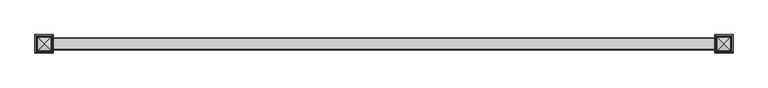
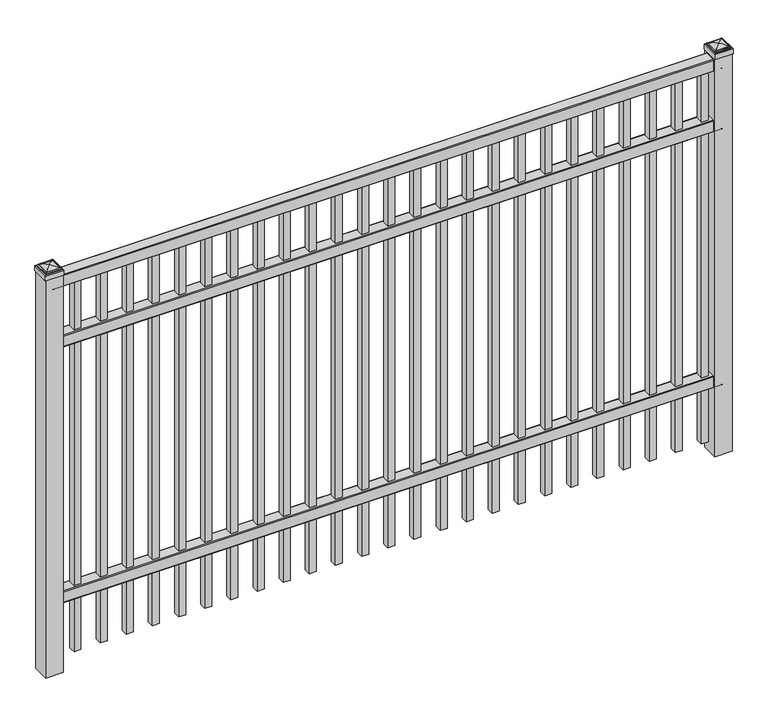
"""IFC4 building model written with IfcOpenShell, lengths in millimetres: railing geometry."""

from ifc_helpers import new_model, si_unit, point, frame, frame_2d, origin, origin_with_axes, place, context, project, spatial, polyline, circle_curve, ellipse_curve, trimmed, segment, composite_curve, outline, extrude, source, transform, mapped, element, save
from ifc_brep_helpers import plane_surface, cylinder_surface, advanced_brep


def railing_0d8312fc(model_context):
    return source(origin(), model_context, "Body", "SolidModel", [
        extrude(outline(composite_curve([segment(polyline([(11873.9139761, 304.8), (11911.969541, 304.8)]), True, "CONTINUOUS"), segment(trimmed(circle_curve(frame_2d((11911.969541, 301.625)), 3.175), [point((11911.969541, 304.8))], [point((11915.144541, 301.625))], False, "CARTESIAN"), True, "CONTINUOUS"), segment(polyline([(11915.144541, 301.625), (11915.144541, 262.1439893)]), True, "CONTINUOUS"), segment(trimmed(circle_curve(frame_2d((11913.3505518, 262.1439893)), 1.7939893), [point((11915.144541, 262.1439893))], [point((11913.3505518, 260.35))], False, "CARTESIAN"), True, "CONTINUOUS"), segment(polyline([(11913.3505518, 260.35), (11910.7590713, 260.35)]), True, "CONTINUOUS"), segment(trimmed(circle_curve(frame_2d((11910.7590713, 262.1359375)), 1.7859375), [point((11910.7590713, 260.35))], [point((11908.9755813, 262.0424688))], False, "CARTESIAN"), True, "CONTINUOUS"), segment(polyline([(11908.9755813, 262.0424688), (11907.4025867, 292.0569942), (11878.4364954, 292.0569942), (11876.8635007, 262.0424688)]), True, "CONTINUOUS"), segment(trimmed(circle_curve(frame_2d((11875.0800108, 262.1359375)), 1.7859375), [point((11876.8635007, 262.0424688))], [point((11875.0800108, 260.35))], False, "CARTESIAN"), True, "CONTINUOUS"), segment(polyline([(11875.0800108, 260.35), (11872.4804785, 260.35)]), True, "CONTINUOUS"), segment(trimmed(circle_curve(frame_2d((11872.4804785, 262.1359375)), 1.7859375), [point((11872.4804785, 260.35))], [point((11870.694541, 262.1359375))], False, "CARTESIAN"), True, "CONTINUOUS"), segment(polyline([(11870.694541, 262.1359375), (11870.694541, 301.5805649)]), True, "CONTINUOUS"), segment(trimmed(circle_curve(frame_2d((11873.9139761, 301.5805649)), 3.2194351), [point((11870.694541, 301.5805649))], [point((11873.9139761, 304.8))], False, "CARTESIAN"), True, "CONTINUOUS")], self_intersect=False)), frame((-10765.0649936, 0.0, 0.0), z_axis=(1.0, 0.0, 0.0), x_axis=(0.0, 1.0, 0.0)), (0.0, 0.0, 1.0), 2438.4),
        extrude(outline(composite_curve([segment(polyline([(11873.9139761, 1290.6375), (11911.969541, 1290.6375)]), True, "CONTINUOUS"), segment(trimmed(circle_curve(frame_2d((11911.969541, 1287.4625)), 3.175), [point((11911.969541, 1290.6375))], [point((11915.144541, 1287.4625))], False, "CARTESIAN"), True, "CONTINUOUS"), segment(polyline([(11915.144541, 1287.4625), (11915.144541, 1247.9814893)]), True, "CONTINUOUS"), segment(trimmed(circle_curve(frame_2d((11913.3505518, 1247.9814893)), 1.7939893), [point((11915.144541, 1247.9814893))], [point((11913.3505518, 1246.1875))], False, "CARTESIAN"), True, "CONTINUOUS"), segment(polyline([(11913.3505518, 1246.1875), (11910.7590713, 1246.1875)]), True, "CONTINUOUS"), segment(trimmed(circle_curve(frame_2d((11910.7590713, 1247.9734375)), 1.7859375), [point((11910.7590713, 1246.1875))], [point((11908.9755813, 1247.8799688))], False, "CARTESIAN"), True, "CONTINUOUS"), segment(polyline([(11908.9755813, 1247.8799688), (11907.4025867, 1277.8944942), (11878.4364954, 1277.8944942), (11876.8635007, 1247.8799688)]), True, "CONTINUOUS"), segment(trimmed(circle_curve(frame_2d((11875.0800108, 1247.9734375)), 1.7859375), [point((11876.8635007, 1247.8799688))], [point((11875.0800108, 1246.1875))], False, "CARTESIAN"), True, "CONTINUOUS"), segment(polyline([(11875.0800108, 1246.1875), (11872.4804785, 1246.1875)]), True, "CONTINUOUS"), segment(trimmed(circle_curve(frame_2d((11872.4804785, 1247.9734375)), 1.7859375), [point((11872.4804785, 1246.1875))], [point((11870.694541, 1247.9734375))], False, "CARTESIAN"), True, "CONTINUOUS"), segment(polyline([(11870.694541, 1247.9734375), (11870.694541, 1287.4180649)]), True, "CONTINUOUS"), segment(trimmed(circle_curve(frame_2d((11873.9139761, 1287.4180649)), 3.2194351), [point((11870.694541, 1287.4180649))], [point((11873.9139761, 1290.6375))], False, "CARTESIAN"), True, "CONTINUOUS")], self_intersect=False)), frame((-10765.0649936, 0.0, 0.0), z_axis=(1.0, 0.0, 0.0), x_axis=(0.0, 1.0, 0.0)), (0.0, 0.0, 1.0), 2438.4),
        extrude(outline(composite_curve([segment(polyline([(11873.9139761, 1524.0), (11911.969541, 1524.0)]), True, "CONTINUOUS"), segment(trimmed(circle_curve(frame_2d((11911.969541, 1520.825)), 3.175), [point((11911.969541, 1524.0))], [point((11915.144541, 1520.825))], False, "CARTESIAN"), True, "CONTINUOUS"), segment(polyline([(11915.144541, 1520.825), (11915.144541, 1481.3439893)]), True, "CONTINUOUS"), segment(trimmed(circle_curve(frame_2d((11913.3505518, 1481.3439893)), 1.7939893), [point((11915.144541, 1481.3439893))], [point((11913.3505518, 1479.55))], False, "CARTESIAN"), True, "CONTINUOUS"), segment(polyline([(11913.3505518, 1479.55), (11910.7590713, 1479.55)]), True, "CONTINUOUS"), segment(trimmed(circle_curve(frame_2d((11910.7590713, 1481.3359375)), 1.7859375), [point((11910.7590713, 1479.55))], [point((11908.9755813, 1481.2424688))], False, "CARTESIAN"), True, "CONTINUOUS"), segment(polyline([(11908.9755813, 1481.2424688), (11907.4025867, 1511.2569942), (11878.4364954, 1511.2569942), (11876.8635007, 1481.2424688)]), True, "CONTINUOUS"), segment(trimmed(circle_curve(frame_2d((11875.0800108, 1481.3359375)), 1.7859375), [point((11876.8635007, 1481.2424688))], [point((11875.0800108, 1479.55))], False, "CARTESIAN"), True, "CONTINUOUS"), segment(polyline([(11875.0800108, 1479.55), (11872.4804785, 1479.55)]), True, "CONTINUOUS"), segment(trimmed(circle_curve(frame_2d((11872.4804785, 1481.3359375)), 1.7859375), [point((11872.4804785, 1479.55))], [point((11870.694541, 1481.3359375))], False, "CARTESIAN"), True, "CONTINUOUS"), segment(polyline([(11870.694541, 1481.3359375), (11870.694541, 1520.7805649)]), True, "CONTINUOUS"), segment(trimmed(circle_curve(frame_2d((11873.9139761, 1520.7805649)), 3.2194351), [point((11870.694541, 1520.7805649))], [point((11873.9139761, 1524.0))], False, "CARTESIAN"), True, "CONTINUOUS")], self_intersect=False)), frame((-10765.0649936, 0.0, 0.0), z_axis=(1.0, 0.0, 0.0), x_axis=(0.0, 1.0, 0.0)), (0.0, 0.0, 1.0), 2438.4),
        extrude(outline(polyline([(0.0, -1428.75), (0.0, 0.0), (25.4, 0.0), (25.4, -1428.75), (0.0, -1428.75)])), frame((-8371.1149864, 11905.619541, 1479.55), z_axis=(-1.0, 0.0, 2.9043842471783905e-09), x_axis=(0.0, -1.0, 0.0)), (0.0, 0.0, 1.0), 25.4),
        extrude(outline(polyline([(0.0, -1428.75), (0.0, 0.0), (25.4, 0.0), (25.4, -1428.75), (0.0, -1428.75)])), frame((-8466.3649864, 11905.619541, 1479.55), z_axis=(-1.0, 0.0, 2.9043842471783905e-09), x_axis=(0.0, -1.0, 0.0)), (0.0, 0.0, 1.0), 25.4),
        extrude(outline(polyline([(0.0, -1428.75), (0.0, 0.0), (25.4, 0.0), (25.4, -1428.75), (0.0, -1428.75)])), frame((-8561.6149864, 11905.619541, 1479.55), z_axis=(-1.0, 0.0, 2.9043842471783905e-09), x_axis=(0.0, -1.0, 0.0)), (0.0, 0.0, 1.0), 25.4),
        extrude(outline(polyline([(0.0, -1428.75), (0.0, 0.0), (25.4, 0.0), (25.4, -1428.75), (0.0, -1428.75)])), frame((-8656.8649864, 11905.619541, 1479.55), z_axis=(-1.0, 0.0, 2.9043842471783905e-09), x_axis=(0.0, -1.0, 0.0)), (0.0, 0.0, 1.0), 25.4),
        extrude(outline(polyline([(0.0, -1428.75), (0.0, 0.0), (25.4, 0.0), (25.4, -1428.75), (0.0, -1428.75)])), frame((-8752.1149864, 11905.619541, 1479.55), z_axis=(-1.0, 0.0, 2.9043842471783905e-09), x_axis=(0.0, -1.0, 0.0)), (0.0, 0.0, 1.0), 25.4),
        extrude(outline(polyline([(0.0, -1428.75), (0.0, 0.0), (25.4, 0.0), (25.4, -1428.75), (0.0, -1428.75)])), frame((-8847.3649864, 11905.619541, 1479.55), z_axis=(-1.0, 0.0, 2.9043842471783905e-09), x_axis=(0.0, -1.0, 0.0)), (0.0, 0.0, 1.0), 25.4),
        extrude(outline(polyline([(0.0, -1428.75), (0.0, 0.0), (25.4, 0.0), (25.4, -1428.75), (0.0, -1428.75)])), frame((-8942.6149864, 11905.619541, 1479.55), z_axis=(-1.0, 0.0, 2.9043842471783905e-09), x_axis=(0.0, -1.0, 0.0)), (0.0, 0.0, 1.0), 25.4),
        extrude(outline(polyline([(0.0, -1428.75), (0.0, 0.0), (25.4, 0.0), (25.4, -1428.75), (0.0, -1428.75)])), frame((-9037.8649864, 11905.619541, 1479.55), z_axis=(-1.0, 0.0, 2.9043842471783905e-09), x_axis=(0.0, -1.0, 0.0)), (0.0, 0.0, 1.0), 25.4),
        extrude(outline(polyline([(0.0, -1428.75), (0.0, 0.0), (25.4, 0.0), (25.4, -1428.75), (0.0, -1428.75)])), frame((-9133.1149864, 11905.619541, 1479.55), z_axis=(-1.0, 0.0, 2.9043842471783905e-09), x_axis=(0.0, -1.0, 0.0)), (0.0, 0.0, 1.0), 25.4),
        extrude(outline(polyline([(0.0, -1428.75), (0.0, 0.0), (25.4, 0.0), (25.4, -1428.75), (0.0, -1428.75)])), frame((-9228.3649864, 11905.619541, 1479.55), z_axis=(-1.0, 0.0, 2.9043842471783905e-09), x_axis=(0.0, -1.0, 0.0)), (0.0, 0.0, 1.0), 25.4),
        extrude(outline(polyline([(0.0, -1428.75), (0.0, 0.0), (25.4, 0.0), (25.4, -1428.75), (0.0, -1428.75)])), frame((-9323.6149864, 11905.619541, 1479.55), z_axis=(-1.0, 0.0, 2.9043842471783905e-09), x_axis=(0.0, -1.0, 0.0)), (0.0, 0.0, 1.0), 25.4),
        extrude(outline(polyline([(0.0, -1428.75), (0.0, 0.0), (25.4, 0.0), (25.4, -1428.75), (0.0, -1428.75)])), frame((-9418.8649864, 11905.619541, 1479.55), z_axis=(-1.0, 0.0, 2.9043842471783905e-09), x_axis=(0.0, -1.0, 0.0)), (0.0, 0.0, 1.0), 25.4),
        extrude(outline(polyline([(0.0, -1428.75), (0.0, 0.0), (25.4, 0.0), (25.4, -1428.75), (0.0, -1428.75)])), frame((-9514.1149864, 11905.619541, 1479.55), z_axis=(-1.0, 0.0, 2.9043842471783905e-09), x_axis=(0.0, -1.0, 0.0)), (0.0, 0.0, 1.0), 25.4),
        extrude(outline(polyline([(0.0, -1428.75), (0.0, 0.0), (25.4, 0.0), (25.4, -1428.75), (0.0, -1428.75)])), frame((-9609.3649864, 11905.619541, 1479.55), z_axis=(-1.0, 0.0, 2.9043842471783905e-09), x_axis=(0.0, -1.0, 0.0)), (0.0, 0.0, 1.0), 25.4),
        extrude(outline(polyline([(0.0, -1428.75), (0.0, 0.0), (25.4, 0.0), (25.4, -1428.75), (0.0, -1428.75)])), frame((-9704.6149864, 11905.619541, 1479.55), z_axis=(-1.0, 0.0, 2.9043842471783905e-09), x_axis=(0.0, -1.0, 0.0)), (0.0, 0.0, 1.0), 25.4),
        extrude(outline(polyline([(0.0, -1428.75), (0.0, 0.0), (25.4, 0.0), (25.4, -1428.75), (0.0, -1428.75)])), frame((-9799.8649864, 11905.619541, 1479.55), z_axis=(-1.0, 0.0, 2.9043842471783905e-09), x_axis=(0.0, -1.0, 0.0)), (0.0, 0.0, 1.0), 25.4),
        extrude(outline(polyline([(0.0, -1428.75), (0.0, 0.0), (25.4, 0.0), (25.4, -1428.75), (0.0, -1428.75)])), frame((-9895.1149864, 11905.619541, 1479.55), z_axis=(-1.0, 0.0, 2.9043842471783905e-09), x_axis=(0.0, -1.0, 0.0)), (0.0, 0.0, 1.0), 25.4),
        extrude(outline(polyline([(0.0, -1428.75), (0.0, 0.0), (25.4, 0.0), (25.4, -1428.75), (0.0, -1428.75)])), frame((-9990.3649864, 11905.619541, 1479.55), z_axis=(-1.0, 0.0, 2.9043842471783905e-09), x_axis=(0.0, -1.0, 0.0)), (0.0, 0.0, 1.0), 25.4),
        extrude(outline(polyline([(0.0, -1428.75), (0.0, 0.0), (25.4, 0.0), (25.4, -1428.75), (0.0, -1428.75)])), frame((-10085.6149864, 11905.619541, 1479.55), z_axis=(-1.0, 0.0, 2.9043842471783905e-09), x_axis=(0.0, -1.0, 0.0)), (0.0, 0.0, 1.0), 25.4),
        extrude(outline(polyline([(0.0, -1428.75), (0.0, 0.0), (25.4, 0.0), (25.4, -1428.75), (0.0, -1428.75)])), frame((-10180.8649864, 11905.619541, 1479.55), z_axis=(-1.0, 0.0, 2.9043842471783905e-09), x_axis=(0.0, -1.0, 0.0)), (0.0, 0.0, 1.0), 25.4),
        extrude(outline(polyline([(0.0, -1428.75), (0.0, 0.0), (25.4, 0.0), (25.4, -1428.75), (0.0, -1428.75)])), frame((-10276.1149864, 11905.619541, 1479.55), z_axis=(-1.0, 0.0, 2.9043842471783905e-09), x_axis=(0.0, -1.0, 0.0)), (0.0, 0.0, 1.0), 25.4),
        extrude(outline(polyline([(0.0, -1428.75), (0.0, 0.0), (25.4, 0.0), (25.4, -1428.75), (0.0, -1428.75)])), frame((-10371.3649864, 11905.619541, 1479.55), z_axis=(-1.0, 0.0, 2.9043842471783905e-09), x_axis=(0.0, -1.0, 0.0)), (0.0, 0.0, 1.0), 25.4),
        extrude(outline(polyline([(0.0, -1428.75), (0.0, 0.0), (25.4, 0.0), (25.4, -1428.75), (0.0, -1428.75)])), frame((-10466.6149864, 11905.619541, 1479.55), z_axis=(-1.0, 0.0, 2.9043842471783905e-09), x_axis=(0.0, -1.0, 0.0)), (0.0, 0.0, 1.0), 25.4),
        extrude(outline(polyline([(0.0, -1428.75), (0.0, 0.0), (25.4, 0.0), (25.4, -1428.75), (0.0, -1428.75)])), frame((-10561.8649864, 11905.619541, 1479.55), z_axis=(-1.0, 0.0, 2.9043842471783905e-09), x_axis=(0.0, -1.0, 0.0)), (0.0, 0.0, 1.0), 25.4),
        extrude(outline(polyline([(0.0, -1428.75), (0.0, 0.0), (25.4, 0.0), (25.4, -1428.75), (0.0, -1428.75)])), frame((-10657.1149864, 11905.619541, 1479.55), z_axis=(-1.0, 0.0, 2.9043842471783905e-09), x_axis=(0.0, -1.0, 0.0)), (0.0, 0.0, 1.0), 25.4),
        extrude(outline(polyline([(-8294.9149936, 11924.669541), (-8294.9149936, 11861.169541), (-8358.4149936, 11861.169541), (-8358.4149936, 11924.669541), (-8294.9149936, 11924.669541)])), origin_with_axes(), (0.0, 0.0, 1.0), 1531.9375),
        advanced_brep(
        [(-8360.0024936, 11926.257041, 1550.19375), (-8360.0024936, 11926.257041, 1531.9375), (-8360.0024936, 11859.582041, 1531.9375), (-8360.0024936, 11859.582041, 1550.19375), (-8357.6212436, 11923.875791, 1552.575), (-8357.6212436, 11861.963291, 1552.575), (-8355.2399936, 11921.494541, 1554.95625), (-8355.2399936, 11921.494541, 1552.575), (-8355.2399936, 11864.344541, 1552.575), (-8355.2399936, 11864.344541, 1554.95625), (-8352.8587436, 11919.113291, 1557.3375), (-8352.8587436, 11866.725791, 1557.3375), (-8326.6649936, 11892.919541, 1563.6875), (-8350.4774936, 11916.732041, 1557.3375), (-8350.4774936, 11869.107041, 1557.3375), (-8293.3274936, 11859.582041, 1531.9375), (-8293.3274936, 11859.582041, 1550.19375), (-8295.7087436, 11861.963291, 1552.575), (-8298.0899936, 11864.344541, 1552.575), (-8298.0899936, 11864.344541, 1554.95625), (-8300.4712436, 11866.725791, 1557.3375), (-8302.8524936, 11869.107041, 1557.3375), (-8293.3274936, 11926.257041, 1531.9375), (-8293.3274936, 11926.257041, 1550.19375), (-8295.7087436, 11923.875791, 1552.575), (-8298.0899936, 11921.494541, 1552.575), (-8298.0899936, 11921.494541, 1554.95625), (-8300.4712436, 11919.113291, 1557.3375), (-8302.8524936, 11916.732041, 1557.3375)],
        [
            (0, 1),
            (1, 2),
            (2, 3),
            (3, 0),
            (4, 0, ellipse_curve(frame((-8357.6212436, 11923.875791, 1550.19375), z_axis=(-0.70710678118655, -0.7071067811865449, 0.0), x_axis=(-0.7071067811865448, 0.7071067811865501, 0.0)), 3.367596, 2.38125)),
            (3, 5, ellipse_curve(frame((-8357.6212436, 11861.963291, 1550.19375), z_axis=(-0.7071067811865449, 0.70710678118655, 0.0), x_axis=(0.7071067811865499, 0.707106781186545, 0.0)), 3.367596, 2.38125)),
            (5, 4),
            (6, 7),
            (7, 8),
            (8, 9),
            (9, 6),
            (10, 6, ellipse_curve(frame((-8352.8587436, 11919.113291, 1554.95625), z_axis=(-0.70710678118655, -0.7071067811865449, 0.0), x_axis=(-0.7071067811865448, 0.7071067811865501, 0.0)), 3.367596, 2.38125)),
            (9, 11, ellipse_curve(frame((-8352.8587436, 11866.725791, 1554.95625), z_axis=(-0.7071067811865449, 0.70710678118655, 0.0), x_axis=(0.7071067811865499, 0.707106781186545, 0.0)), 3.367596, 2.38125)),
            (11, 10),
            (12, 13, ellipse_curve(frame((-8326.6649936, 11892.919541, 1515.8640625), z_axis=(-0.70710678118655, -0.7071067811865449, 0.0), x_axis=(-0.7071067811865448, 0.7071067811865501, 0.0)), 67.6325539, 47.8234375)),
            (13, 14),
            (14, 12, ellipse_curve(frame((-8326.6649936, 11892.919541, 1515.8640625), z_axis=(-0.7071067811865449, 0.70710678118655, 0.0), x_axis=(0.7071067811865499, 0.707106781186545, 0.0)), 67.6325539, 47.8234375)),
            (2, 15),
            (15, 16),
            (16, 3),
            (16, 17, ellipse_curve(frame((-8295.7087436, 11861.963291, 1550.19375), z_axis=(-0.70710678118655, -0.707106781186545, 0.0), x_axis=(-0.707106781186545, 0.70710678118655, 0.0)), 3.367596, 2.38125)),
            (17, 5),
            (8, 18),
            (18, 19),
            (19, 9),
            (19, 20, ellipse_curve(frame((-8300.4712436, 11866.725791, 1554.95625), z_axis=(-0.70710678118655, -0.707106781186545, 0.0), x_axis=(-0.707106781186545, 0.70710678118655, 0.0)), 3.367596, 2.38125)),
            (20, 11),
            (14, 21),
            (21, 12, ellipse_curve(frame((-8326.6649936, 11892.919541, 1515.8640625), z_axis=(-0.70710678118655, -0.707106781186545, 0.0), x_axis=(-0.707106781186545, 0.70710678118655, 0.0)), 67.6325539, 47.8234375)),
            (15, 22),
            (22, 23),
            (23, 16),
            (23, 24, ellipse_curve(frame((-8295.7087436, 11923.875791, 1550.19375), z_axis=(0.707106781186545, -0.7071067811865499, 0.0), x_axis=(-0.7071067811865497, -0.7071067811865452, 0.0)), 3.367596, 2.38125)),
            (24, 17),
            (18, 25),
            (25, 26),
            (26, 19),
            (26, 27, ellipse_curve(frame((-8300.4712436, 11919.113291, 1554.95625), z_axis=(0.707106781186545, -0.7071067811865499, 0.0), x_axis=(-0.7071067811865497, -0.7071067811865452, 0.0)), 3.367596, 2.38125)),
            (27, 20),
            (21, 28),
            (28, 12, ellipse_curve(frame((-8326.6649936, 11892.919541, 1515.8640625), z_axis=(0.707106781186545, -0.7071067811865499, 0.0), x_axis=(-0.7071067811865497, -0.7071067811865452, 0.0)), 67.6325539, 47.8234375)),
            (22, 1),
            (0, 23),
            (4, 24),
            (7, 25),
            (6, 26),
            (10, 27),
            (13, 28),
        ],
        [
            plane_surface(frame((-8360.0024936, 11926.257041, 1531.9375), z_axis=(-1.0, 0.0, 0.0), x_axis=(0.0, -1.0, 0.0))),
            cylinder_surface(frame((-8357.6212436, 11924.669541, 1550.19375), z_axis=(0.0, 1.0, 0.0), x_axis=(1.0, 0.0, 0.0)), 2.38125),
            plane_surface(frame((-8355.2399936, 11921.494541, 1552.575), z_axis=(-1.0, 0.0, 0.0), x_axis=(0.0, -1.0, 0.0))),
            cylinder_surface(frame((-8352.8587436, 11924.669541, 1554.95625), z_axis=(0.0, 1.0, 0.0), x_axis=(1.0, 0.0, 0.0)), 2.38125),
            cylinder_surface(frame((-8326.6649936, 11924.669541, 1515.8640625), z_axis=(0.0, 1.0, 0.0), x_axis=(1.0, 0.0, 0.0)), 47.8234375),
            plane_surface(frame((-8360.0024936, 11859.582041, 1531.9375), z_axis=(0.0, -1.0, 0.0), x_axis=(1.0, 0.0, 0.0))),
            cylinder_surface(frame((-8358.4149936, 11861.963291, 1550.19375), z_axis=(-1.0, 0.0, 0.0), x_axis=(0.0, 1.0, 0.0)), 2.38125),
            plane_surface(frame((-8355.2399936, 11864.344541, 1552.575), z_axis=(0.0, -1.0, 0.0), x_axis=(1.0, 0.0, 0.0))),
            cylinder_surface(frame((-8358.4149936, 11866.725791, 1554.95625), z_axis=(-1.0, 0.0, 0.0), x_axis=(0.0, 1.0, 0.0)), 2.38125),
            cylinder_surface(frame((-8358.4149936, 11892.919541, 1515.8640625), z_axis=(-1.0, 0.0, 0.0), x_axis=(0.0, 1.0, 0.0)), 47.8234375),
            plane_surface(frame((-8293.3274936, 11859.582041, 1531.9375), z_axis=(1.0, 0.0, 0.0), x_axis=(0.0, 1.0, 0.0))),
            cylinder_surface(frame((-8295.7087436, 11861.169541, 1550.19375), z_axis=(0.0, -1.0, 0.0), x_axis=(-1.0, 0.0, 0.0)), 2.38125),
            plane_surface(frame((-8298.0899936, 11864.344541, 1552.575), z_axis=(1.0, 0.0, 0.0), x_axis=(0.0, 1.0, 0.0))),
            cylinder_surface(frame((-8300.4712436, 11861.169541, 1554.95625), z_axis=(0.0, -1.0, 0.0), x_axis=(-1.0, 0.0, 0.0)), 2.38125),
            cylinder_surface(frame((-8326.6649936, 11861.169541, 1515.8640625), z_axis=(0.0, -1.0, 0.0), x_axis=(-1.0, 0.0, 0.0)), 47.8234375),
            plane_surface(frame((-8293.3274936, 11926.257041, 1531.9375), z_axis=(0.0, 1.0, 0.0), x_axis=(-1.0, 0.0, 0.0))),
            cylinder_surface(frame((-8294.9149936, 11923.875791, 1550.19375), z_axis=(1.0, 0.0, 0.0), x_axis=(0.0, -1.0, 0.0)), 2.38125),
            plane_surface(frame((-8295.7087436, 11923.875791, 1552.575), z_axis=(0.0, 0.0, 1.0), x_axis=(-1.0, 0.0, 0.0))),
            plane_surface(frame((-8298.0899936, 11921.494541, 1552.575), z_axis=(0.0, 1.0, 0.0), x_axis=(-1.0, 0.0, 0.0))),
            cylinder_surface(frame((-8294.9149936, 11919.113291, 1554.95625), z_axis=(1.0, 0.0, 0.0), x_axis=(0.0, -1.0, 0.0)), 2.38125),
            plane_surface(frame((-8300.4712436, 11919.113291, 1557.3375), z_axis=(0.0, 0.0, 1.0), x_axis=(-1.0, 0.0, 0.0))),
            cylinder_surface(frame((-8294.9149936, 11892.919541, 1515.8640625), z_axis=(1.0, 0.0, 0.0), x_axis=(0.0, -1.0, 0.0)), 47.8234375),
            plane_surface(frame((-8326.6649936, 11892.919541, 1531.9375), z_axis=(0.0, 0.0, -1.0), x_axis=(-1.0, 0.0, 0.0))),
        ],
        [
            (0, [[1, 2, 3, 4]]),
            (1, [[5, -4, 6, 7]]),
            (2, [[8, 9, 10, 11]]),
            (3, [[12, -11, 13, 14]]),
            (4, [[15, 16, 17]]),
            (5, [[-3, 18, 19, 20]]),
            (6, [[-6, -20, 21, 22]]),
            (7, [[-10, 23, 24, 25]]),
            (8, [[-13, -25, 26, 27]]),
            (9, [[-17, 28, 29]]),
            (10, [[-19, 30, 31, 32]]),
            (11, [[-21, -32, 33, 34]]),
            (12, [[-24, 35, 36, 37]]),
            (13, [[-26, -37, 38, 39]]),
            (14, [[-29, 40, 41]]),
            (15, [[-31, 42, -1, 43]]),
            (16, [[-33, -43, -5, 44]]),
            (17, [[-22, -34, -44, -7], [45, -35, -23, -9]]),
            (18, [[-36, -45, -8, 46]]),
            (19, [[-38, -46, -12, 47]]),
            (20, [[-27, -39, -47, -14], [48, -40, -28, -16]]),
            (21, [[-41, -48, -15]]),
            (22, [[-42, -30, -18, -2]]),
        ],
    ),
        extrude(outline(polyline([(-10733.3149936, 11924.669541), (-10733.3149936, 11861.169541), (-10796.8149936, 11861.169541), (-10796.8149936, 11924.669541), (-10733.3149936, 11924.669541)])), origin_with_axes(), (0.0, 0.0, 1.0), 1531.9375),
        advanced_brep(
        [(-10798.4024936, 11926.257041, 1550.19375), (-10798.4024936, 11926.257041, 1531.9375), (-10798.4024936, 11859.582041, 1531.9375), (-10798.4024936, 11859.582041, 1550.19375), (-10796.0212436, 11923.875791, 1552.575), (-10796.0212436, 11861.963291, 1552.575), (-10793.6399936, 11921.494541, 1554.95625), (-10793.6399936, 11921.494541, 1552.575), (-10793.6399936, 11864.344541, 1552.575), (-10793.6399936, 11864.344541, 1554.95625), (-10791.2587436, 11919.113291, 1557.3375), (-10791.2587436, 11866.725791, 1557.3375), (-10765.0649936, 11892.919541, 1563.6875), (-10788.8774936, 11916.732041, 1557.3375), (-10788.8774936, 11869.107041, 1557.3375), (-10731.7274936, 11859.582041, 1531.9375), (-10731.7274936, 11859.582041, 1550.19375), (-10734.1087436, 11861.963291, 1552.575), (-10736.4899936, 11864.344541, 1552.575), (-10736.4899936, 11864.344541, 1554.95625), (-10738.8712436, 11866.725791, 1557.3375), (-10741.2524936, 11869.107041, 1557.3375), (-10731.7274936, 11926.257041, 1531.9375), (-10731.7274936, 11926.257041, 1550.19375), (-10734.1087436, 11923.875791, 1552.575), (-10736.4899936, 11921.494541, 1552.575), (-10736.4899936, 11921.494541, 1554.95625), (-10738.8712436, 11919.113291, 1557.3375), (-10741.2524936, 11916.732041, 1557.3375)],
        [
            (0, 1),
            (1, 2),
            (2, 3),
            (3, 0),
            (4, 0, ellipse_curve(frame((-10796.0212436, 11923.875791, 1550.19375), z_axis=(-0.70710678118655, -0.7071067811865449, 0.0), x_axis=(-0.7071067811865448, 0.7071067811865501, 0.0)), 3.367596, 2.38125)),
            (3, 5, ellipse_curve(frame((-10796.0212436, 11861.963291, 1550.19375), z_axis=(-0.7071067811865449, 0.70710678118655, 0.0), x_axis=(0.7071067811865499, 0.707106781186545, 0.0)), 3.367596, 2.38125)),
            (5, 4),
            (6, 7),
            (7, 8),
            (8, 9),
            (9, 6),
            (10, 6, ellipse_curve(frame((-10791.2587436, 11919.113291, 1554.95625), z_axis=(-0.70710678118655, -0.7071067811865449, 0.0), x_axis=(-0.7071067811865448, 0.7071067811865501, 0.0)), 3.367596, 2.38125)),
            (9, 11, ellipse_curve(frame((-10791.2587436, 11866.725791, 1554.95625), z_axis=(-0.7071067811865449, 0.70710678118655, 0.0), x_axis=(0.7071067811865499, 0.707106781186545, 0.0)), 3.367596, 2.38125)),
            (11, 10),
            (12, 13, ellipse_curve(frame((-10765.0649936, 11892.919541, 1515.8640625), z_axis=(-0.70710678118655, -0.7071067811865449, 0.0), x_axis=(-0.7071067811865448, 0.7071067811865501, 0.0)), 67.6325539, 47.8234375)),
            (13, 14),
            (14, 12, ellipse_curve(frame((-10765.0649936, 11892.919541, 1515.8640625), z_axis=(-0.7071067811865449, 0.70710678118655, 0.0), x_axis=(0.7071067811865499, 0.707106781186545, 0.0)), 67.6325539, 47.8234375)),
            (2, 15),
            (15, 16),
            (16, 3),
            (16, 17, ellipse_curve(frame((-10734.1087436, 11861.963291, 1550.19375), z_axis=(-0.70710678118655, -0.707106781186545, 0.0), x_axis=(-0.707106781186545, 0.70710678118655, 0.0)), 3.367596, 2.38125)),
            (17, 5),
            (8, 18),
            (18, 19),
            (19, 9),
            (19, 20, ellipse_curve(frame((-10738.8712436, 11866.725791, 1554.95625), z_axis=(-0.70710678118655, -0.707106781186545, 0.0), x_axis=(-0.707106781186545, 0.70710678118655, 0.0)), 3.367596, 2.38125)),
            (20, 11),
            (14, 21),
            (21, 12, ellipse_curve(frame((-10765.0649936, 11892.919541, 1515.8640625), z_axis=(-0.70710678118655, -0.707106781186545, 0.0), x_axis=(-0.707106781186545, 0.70710678118655, 0.0)), 67.6325539, 47.8234375)),
            (15, 22),
            (22, 23),
            (23, 16),
            (23, 24, ellipse_curve(frame((-10734.1087436, 11923.875791, 1550.19375), z_axis=(0.707106781186545, -0.7071067811865499, 0.0), x_axis=(-0.7071067811865497, -0.7071067811865452, 0.0)), 3.367596, 2.38125)),
            (24, 17),
            (18, 25),
            (25, 26),
            (26, 19),
            (26, 27, ellipse_curve(frame((-10738.8712436, 11919.113291, 1554.95625), z_axis=(0.707106781186545, -0.7071067811865499, 0.0), x_axis=(-0.7071067811865497, -0.7071067811865452, 0.0)), 3.367596, 2.38125)),
            (27, 20),
            (21, 28),
            (28, 12, ellipse_curve(frame((-10765.0649936, 11892.919541, 1515.8640625), z_axis=(0.707106781186545, -0.7071067811865499, 0.0), x_axis=(-0.7071067811865497, -0.7071067811865452, 0.0)), 67.6325539, 47.8234375)),
            (22, 1),
            (0, 23),
            (4, 24),
            (7, 25),
            (6, 26),
            (10, 27),
            (13, 28),
        ],
        [
            plane_surface(frame((-10798.4024936, 11926.257041, 1531.9375), z_axis=(-1.0, 0.0, 0.0), x_axis=(0.0, -1.0, 0.0))),
            cylinder_surface(frame((-10796.0212436, 11924.669541, 1550.19375), z_axis=(0.0, 1.0, 0.0), x_axis=(1.0, 0.0, 0.0)), 2.38125),
            plane_surface(frame((-10793.6399936, 11921.494541, 1552.575), z_axis=(-1.0, 0.0, 0.0), x_axis=(0.0, -1.0, 0.0))),
            cylinder_surface(frame((-10791.2587436, 11924.669541, 1554.95625), z_axis=(0.0, 1.0, 0.0), x_axis=(1.0, 0.0, 0.0)), 2.38125),
            cylinder_surface(frame((-10765.0649936, 11924.669541, 1515.8640625), z_axis=(0.0, 1.0, 0.0), x_axis=(1.0, 0.0, 0.0)), 47.8234375),
            plane_surface(frame((-10798.4024936, 11859.582041, 1531.9375), z_axis=(0.0, -1.0, 0.0), x_axis=(1.0, 0.0, 0.0))),
            cylinder_surface(frame((-10796.8149936, 11861.963291, 1550.19375), z_axis=(-1.0, 0.0, 0.0), x_axis=(0.0, 1.0, 0.0)), 2.38125),
            plane_surface(frame((-10793.6399936, 11864.344541, 1552.575), z_axis=(0.0, -1.0, 0.0), x_axis=(1.0, 0.0, 0.0))),
            cylinder_surface(frame((-10796.8149936, 11866.725791, 1554.95625), z_axis=(-1.0, 0.0, 0.0), x_axis=(0.0, 1.0, 0.0)), 2.38125),
            cylinder_surface(frame((-10796.8149936, 11892.919541, 1515.8640625), z_axis=(-1.0, 0.0, 0.0), x_axis=(0.0, 1.0, 0.0)), 47.8234375),
            plane_surface(frame((-10731.7274936, 11859.582041, 1531.9375), z_axis=(1.0, 0.0, 0.0), x_axis=(0.0, 1.0, 0.0))),
            cylinder_surface(frame((-10734.1087436, 11861.169541, 1550.19375), z_axis=(0.0, -1.0, 0.0), x_axis=(-1.0, 0.0, 0.0)), 2.38125),
            plane_surface(frame((-10736.4899936, 11864.344541, 1552.575), z_axis=(1.0, 0.0, 0.0), x_axis=(0.0, 1.0, 0.0))),
            cylinder_surface(frame((-10738.8712436, 11861.169541, 1554.95625), z_axis=(0.0, -1.0, 0.0), x_axis=(-1.0, 0.0, 0.0)), 2.38125),
            cylinder_surface(frame((-10765.0649936, 11861.169541, 1515.8640625), z_axis=(0.0, -1.0, 0.0), x_axis=(-1.0, 0.0, 0.0)), 47.8234375),
            plane_surface(frame((-10731.7274936, 11926.257041, 1531.9375), z_axis=(0.0, 1.0, 0.0), x_axis=(-1.0, 0.0, 0.0))),
            cylinder_surface(frame((-10733.3149936, 11923.875791, 1550.19375), z_axis=(1.0, 0.0, 0.0), x_axis=(0.0, -1.0, 0.0)), 2.38125),
            plane_surface(frame((-10734.1087436, 11923.875791, 1552.575), z_axis=(0.0, 0.0, 1.0), x_axis=(-1.0, 0.0, 0.0))),
            plane_surface(frame((-10736.4899936, 11921.494541, 1552.575), z_axis=(0.0, 1.0, 0.0), x_axis=(-1.0, 0.0, 0.0))),
            cylinder_surface(frame((-10733.3149936, 11919.113291, 1554.95625), z_axis=(1.0, 0.0, 0.0), x_axis=(0.0, -1.0, 0.0)), 2.38125),
            plane_surface(frame((-10738.8712436, 11919.113291, 1557.3375), z_axis=(0.0, 0.0, 1.0), x_axis=(-1.0, 0.0, 0.0))),
            cylinder_surface(frame((-10733.3149936, 11892.919541, 1515.8640625), z_axis=(1.0, 0.0, 0.0), x_axis=(0.0, -1.0, 0.0)), 47.8234375),
            plane_surface(frame((-10765.0649936, 11892.919541, 1531.9375), z_axis=(0.0, 0.0, -1.0), x_axis=(-1.0, 0.0, 0.0))),
        ],
        [
            (0, [[1, 2, 3, 4]]),
            (1, [[5, -4, 6, 7]]),
            (2, [[8, 9, 10, 11]]),
            (3, [[12, -11, 13, 14]]),
            (4, [[15, 16, 17]]),
            (5, [[-3, 18, 19, 20]]),
            (6, [[-6, -20, 21, 22]]),
            (7, [[-10, 23, 24, 25]]),
            (8, [[-13, -25, 26, 27]]),
            (9, [[-17, 28, 29]]),
            (10, [[-19, 30, 31, 32]]),
            (11, [[-21, -32, 33, 34]]),
            (12, [[-24, 35, 36, 37]]),
            (13, [[-26, -37, 38, 39]]),
            (14, [[-29, 40, 41]]),
            (15, [[-31, 42, -1, 43]]),
            (16, [[-33, -43, -5, 44]]),
            (17, [[-22, -34, -44, -7], [45, -35, -23, -9]]),
            (18, [[-36, -45, -8, 46]]),
            (19, [[-38, -46, -12, 47]]),
            (20, [[-27, -39, -47, -14], [48, -40, -28, -16]]),
            (21, [[-41, -48, -15]]),
            (22, [[-42, -30, -18, -2]]),
        ],
    ),
    ])


if __name__ == "__main__":
    model = new_model("IFC4")
    model_context = context("Model", 3, world=origin())
    ifc_project = project(units=[si_unit("LENGTHUNIT", "METRE", prefix="MILLI")], contexts=[model_context])
    site = spatial("IfcSite", under=ifc_project)
    building = spatial("IfcBuilding", under=site)
    placement = place(None, origin())
    railing_shape = railing_0d8312fc(model_context)
    element("IfcRailing", 1, at=placement, inside=building, context=model_context, shape_type="MappedRepresentation", body=[
        mapped(railing_shape, transform((0.0, 0.0, 0.0), x_axis=(1.0, 0.0, 0.0), y_axis=(0.0, 1.0, 0.0), z_axis=(0.0, 0.0, 1.0))),
    ])
    save(model, "model.ifc")
